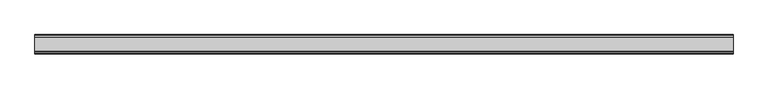
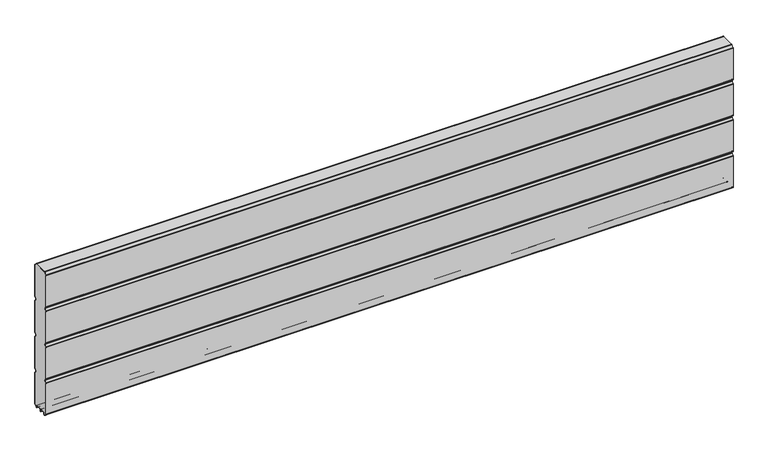
"""IFC4 building model written with IfcOpenShell, lengths in millimetres: plate geometry."""

from ifc_helpers import new_model, si_unit, point, frame, frame_2d, origin, place, context, project, spatial, polyline, circle_curve, trimmed, segment, composite_curve, outline, extrude, source, transform, mapped, element, save


def plate_90751ff9(model_context):
    return source(origin(), model_context, "Body", "SweptSolid", [
        extrude(outline(composite_curve([segment(polyline([(-29.2650466, 451.7624879), (-35.7138292, 458.2112702)]), True, "CONTINUOUS"), segment(trimmed(circle_curve(frame_2d((-34.2991913, 459.6259081)), 2.0006001), [point((-35.7138292, 458.2112702))], [point((-36.2997914, 459.6259081))], False, "CARTESIAN"), True, "CONTINUOUS"), segment(polyline([(-36.2997914, 459.6259081), (-36.2997914, 588.874925)]), True, "CONTINUOUS"), segment(trimmed(circle_curve(frame_2d((-34.3025404, 588.8763112)), 1.9972515), [point((-36.2997914, 588.874925))], [point((-35.7145328, 590.2888589))], False, "CARTESIAN"), True, "CONTINUOUS"), segment(polyline([(-35.7145328, 590.2888589), (-27.7860861, 598.2141893)]), True, "CONTINUOUS"), segment(trimmed(circle_curve(frame_2d((-26.3717262, 596.7992733)), 2.0006002), [point((-27.7860861, 598.2141893))], [point((-26.3717262, 598.7998734))], False, "CARTESIAN"), True, "CONTINUOUS"), segment(polyline([(-26.3717262, 598.7998734), (26.3717262, 598.7998734)]), True, "CONTINUOUS"), segment(trimmed(circle_curve(frame_2d((26.3717262, 596.7992733)), 2.0006002), [point((26.3717262, 598.7998734))], [point((27.7860861, 598.2141893))], False, "CARTESIAN"), True, "CONTINUOUS"), segment(polyline([(27.7860861, 598.2141893), (35.7145328, 590.2888589)]), True, "CONTINUOUS"), segment(trimmed(circle_curve(frame_2d((34.3025404, 588.8763112)), 1.9972515), [point((35.7145328, 590.2888589))], [point((36.2997914, 588.874925))], False, "CARTESIAN"), True, "CONTINUOUS"), segment(polyline([(36.2997914, 588.874925), (36.2997914, 459.6259081)]), True, "CONTINUOUS"), segment(trimmed(circle_curve(frame_2d((34.2991913, 459.6259081)), 2.0006001), [point((36.2997914, 459.6259081))], [point((35.7138292, 458.2112702))], False, "CARTESIAN"), True, "CONTINUOUS"), segment(polyline([(35.7138292, 458.2112702), (29.2650466, 451.7624879)]), True, "CONTINUOUS"), segment(trimmed(circle_curve(frame_2d((31.5325895, 449.4949449)), 3.20679), [point((29.2650466, 451.7624879))], [point((29.114664, 447.3884934))], True, "CARTESIAN"), True, "CONTINUOUS"), segment(polyline([(29.114664, 447.3884934), (35.7138291, 440.7893285)]), True, "CONTINUOUS"), segment(trimmed(circle_curve(frame_2d((34.2991912, 439.3746906)), 2.0006001), [point((35.7138291, 440.7893285))], [point((36.2997913, 439.3746906))], False, "CARTESIAN"), True, "CONTINUOUS"), segment(polyline([(36.2997913, 439.3746906), (36.2997913, 309.6259081)]), True, "CONTINUOUS"), segment(trimmed(circle_curve(frame_2d((34.2991912, 309.6259081)), 2.0006001), [point((36.2997913, 309.6259081))], [point((35.7138291, 308.2112702))], False, "CARTESIAN"), True, "CONTINUOUS"), segment(polyline([(35.7138291, 308.2112702), (29.2650466, 301.7624879)]), True, "CONTINUOUS"), segment(trimmed(circle_curve(frame_2d((31.5325895, 299.4949449)), 3.20679), [point((29.2650466, 301.7624879))], [point((29.4261379, 297.0770195))], True, "CARTESIAN"), True, "CONTINUOUS"), segment(polyline([(29.4261379, 297.0770195), (35.7138291, 290.7893285)]), True, "CONTINUOUS"), segment(trimmed(circle_curve(frame_2d((34.2991912, 289.3746906)), 2.0006001), [point((35.7138291, 290.7893285))], [point((36.2997913, 289.3746906))], False, "CARTESIAN"), True, "CONTINUOUS"), segment(polyline([(36.2997913, 289.3746906), (36.2997913, 159.6246474)]), True, "CONTINUOUS"), segment(trimmed(circle_curve(frame_2d((34.2991912, 159.6246474)), 2.0006001), [point((36.2997913, 159.6246474))], [point((35.7138291, 158.2100095))], False, "CARTESIAN"), True, "CONTINUOUS"), segment(polyline([(35.7138291, 158.2100095), (29.2650466, 151.7612271)]), True, "CONTINUOUS"), segment(trimmed(circle_curve(frame_2d((31.5325895, 149.4936842)), 3.20679), [point((29.2650466, 151.7612271))], [point((29.114664, 147.3872326))], True, "CARTESIAN"), True, "CONTINUOUS"), segment(polyline([(29.114664, 147.3872326), (35.7138292, 140.7880678)]), True, "CONTINUOUS"), segment(trimmed(circle_curve(frame_2d((34.2991912, 139.3734299)), 2.0006001), [point((35.7138292, 140.7880678))], [point((36.2997914, 139.3734299))], False, "CARTESIAN"), True, "CONTINUOUS"), segment(polyline([(36.2997914, 139.3734299), (36.2997914, 10.1250796)]), True, "CONTINUOUS"), segment(trimmed(circle_curve(frame_2d((34.299192, 10.1250796)), 2.0005994), [point((36.2997914, 10.1250796))], [point((35.7138294, 8.7104422))], False, "CARTESIAN"), True, "CONTINUOUS"), segment(polyline([(35.7138294, 8.7104422), (28.7893255, 1.7859383)]), True, "CONTINUOUS"), segment(trimmed(circle_curve(frame_2d((27.3158157, 3.2594482)), 2.0838576), [point((28.7893255, 1.7859383))], [point((25.2327947, 3.2004014))], False, "CARTESIAN"), True, "CONTINUOUS"), segment(polyline([(25.2327947, 3.2004014), (25.2327947, 7.9999453)]), True, "CONTINUOUS"), segment(trimmed(circle_curve(frame_2d((22.0323933, 7.9999453)), 3.2004014), [point((25.2327947, 7.9999453))], [point((22.0323933, 11.2003467))], True, "CARTESIAN"), True, "CONTINUOUS"), segment(polyline([(22.0323933, 11.2003467), (3.1993432, 11.2003467)]), True, "CONTINUOUS"), segment(trimmed(circle_curve(frame_2d((3.1993432, 8.0010035)), 3.1993432), [point((3.1993432, 11.2003467))], [point((0.0, 8.0010035))], True, "CARTESIAN"), True, "CONTINUOUS"), segment(trimmed(circle_curve(frame_2d((-3.1993432, 8.0010035)), 3.1993432), [point((0.0, 8.0010035))], [point((-3.1993432, 11.2003467))], True, "CARTESIAN"), True, "CONTINUOUS"), segment(polyline([(-3.1993432, 11.2003467), (-22.0323933, 11.2003467)]), True, "CONTINUOUS"), segment(trimmed(circle_curve(frame_2d((-22.0323933, 7.9999453)), 3.2004014), [point((-22.0323933, 11.2003467))], [point((-25.2327947, 7.9999453))], True, "CARTESIAN"), True, "CONTINUOUS"), segment(polyline([(-25.2327947, 7.9999453), (-25.2327947, 3.2004014)]), True, "CONTINUOUS"), segment(trimmed(circle_curve(frame_2d((-27.3158157, 3.2594482)), 2.0838576), [point((-25.2327947, 3.2004014))], [point((-28.7893255, 1.7859383))], False, "CARTESIAN"), True, "CONTINUOUS"), segment(polyline([(-28.7893255, 1.7859383), (-35.7138294, 8.7104422)]), True, "CONTINUOUS"), segment(trimmed(circle_curve(frame_2d((-34.299192, 10.1250796)), 2.0005994), [point((-35.7138294, 8.7104422))], [point((-36.2997914, 10.1250796))], False, "CARTESIAN"), True, "CONTINUOUS"), segment(polyline([(-36.2997914, 10.1250796), (-36.2997914, 139.3734299)]), True, "CONTINUOUS"), segment(trimmed(circle_curve(frame_2d((-34.2991912, 139.3734299)), 2.0006001), [point((-36.2997914, 139.3734299))], [point((-35.7138292, 140.7880678))], False, "CARTESIAN"), True, "CONTINUOUS"), segment(polyline([(-35.7138292, 140.7880678), (-29.114664, 147.3872326)]), True, "CONTINUOUS"), segment(trimmed(circle_curve(frame_2d((-31.5325895, 149.4936842)), 3.20679), [point((-29.114664, 147.3872326))], [point((-29.2650466, 151.7612271))], True, "CARTESIAN"), True, "CONTINUOUS"), segment(polyline([(-29.2650466, 151.7612271), (-35.7138291, 158.2100095)]), True, "CONTINUOUS"), segment(trimmed(circle_curve(frame_2d((-34.2991912, 159.6246474)), 2.0006001), [point((-35.7138291, 158.2100095))], [point((-36.2997913, 159.6246474))], False, "CARTESIAN"), True, "CONTINUOUS"), segment(polyline([(-36.2997913, 159.6246474), (-36.2997913, 289.3746906)]), True, "CONTINUOUS"), segment(trimmed(circle_curve(frame_2d((-34.2991912, 289.3746906)), 2.0006001), [point((-36.2997913, 289.3746906))], [point((-35.7138291, 290.7893285))], False, "CARTESIAN"), True, "CONTINUOUS"), segment(polyline([(-35.7138291, 290.7893285), (-29.4261379, 297.0770195)]), True, "CONTINUOUS"), segment(trimmed(circle_curve(frame_2d((-31.5325895, 299.4949449)), 3.20679), [point((-29.4261379, 297.0770195))], [point((-29.2650466, 301.7624879))], True, "CARTESIAN"), True, "CONTINUOUS"), segment(polyline([(-29.2650466, 301.7624879), (-35.7138291, 308.2112702)]), True, "CONTINUOUS"), segment(trimmed(circle_curve(frame_2d((-34.2991912, 309.6259081)), 2.0006001), [point((-35.7138291, 308.2112702))], [point((-36.2997913, 309.6259081))], False, "CARTESIAN"), True, "CONTINUOUS"), segment(polyline([(-36.2997913, 309.6259081), (-36.2997913, 439.3746906)]), True, "CONTINUOUS"), segment(trimmed(circle_curve(frame_2d((-34.2991912, 439.3746906)), 2.0006001), [point((-36.2997913, 439.3746906))], [point((-35.7138291, 440.7893285))], False, "CARTESIAN"), True, "CONTINUOUS"), segment(polyline([(-35.7138291, 440.7893285), (-29.114664, 447.3884934)]), True, "CONTINUOUS"), segment(trimmed(circle_curve(frame_2d((-31.5325895, 449.4949449)), 3.20679), [point((-29.114664, 447.3884934))], [point((-29.2650466, 451.7624879))], True, "CARTESIAN"), True, "CONTINUOUS")], self_intersect=False)), frame((-1354.8858409, 0.0, 0.0), z_axis=(1.0, 0.0, 0.0), x_axis=(0.0, 1.0, 0.0)), (0.0, 0.0, 1.0), 2709.7716819),
        extrude(outline(composite_curve([segment(trimmed(circle_curve(frame_2d((-34.299418, 588.8742584)), 3.200524), [point((-37.499942, 588.8742584))], [point((-36.5622582, 591.1376426))], False, "CARTESIAN"), True, "CONTINUOUS"), segment(polyline([(-36.5622582, 591.1376426), (-28.6355395, 599.0624563)]), True, "CONTINUOUS"), segment(trimmed(circle_curve(frame_2d((-26.3720296, 596.7984023)), 3.2014711), [point((-28.6355395, 599.0624563))], [point((-26.3720296, 599.9998734))], False, "CARTESIAN"), True, "CONTINUOUS"), segment(polyline([(-26.3720296, 599.9998734), (26.3720296, 599.9998734)]), True, "CONTINUOUS"), segment(trimmed(circle_curve(frame_2d((26.3720296, 596.7984023)), 3.2014711), [point((26.3720296, 599.9998734))], [point((28.6355395, 599.0624563))], False, "CARTESIAN"), True, "CONTINUOUS"), segment(polyline([(28.6355395, 599.0624563), (36.5622582, 591.1376426)]), True, "CONTINUOUS"), segment(trimmed(circle_curve(frame_2d((34.299418, 588.8742584)), 3.200524), [point((36.5622582, 591.1376426))], [point((37.499942, 588.8742584))], False, "CARTESIAN"), True, "CONTINUOUS"), segment(polyline([(37.499942, 588.8742584), (37.499942, 459.6259081)]), True, "CONTINUOUS"), segment(trimmed(circle_curve(frame_2d((34.3010265, 459.6259081)), 3.1989155), [point((37.499942, 459.6259081))], [point((36.5630013, 457.3639333))], False, "CARTESIAN"), True, "CONTINUOUS"), segment(polyline([(36.5630013, 457.3639333), (30.1138303, 450.9147625)]), True, "CONTINUOUS"), segment(trimmed(circle_curve(frame_2d((31.5282934, 449.5002993)), 2.000353), [point((30.1138303, 450.9147625))], [point((30.1138303, 448.0858362))], True, "CARTESIAN"), True, "CONTINUOUS"), segment(polyline([(30.1138303, 448.0858362), (36.5630013, 441.6366654)]), True, "CONTINUOUS"), segment(trimmed(circle_curve(frame_2d((34.3010265, 439.3746906)), 3.1989154), [point((36.5630013, 441.6366654))], [point((37.4999419, 439.3746906))], False, "CARTESIAN"), True, "CONTINUOUS"), segment(polyline([(37.4999419, 439.3746906), (37.4999419, 309.6259081)]), True, "CONTINUOUS"), segment(trimmed(circle_curve(frame_2d((34.3010265, 309.6259081)), 3.1989154), [point((37.4999419, 309.6259081))], [point((36.5630013, 307.3639333))], False, "CARTESIAN"), True, "CONTINUOUS"), segment(polyline([(36.5630013, 307.3639333), (30.1138303, 300.9147625)]), True, "CONTINUOUS"), segment(trimmed(circle_curve(frame_2d((31.5282934, 299.5002993)), 2.000353), [point((30.1138303, 300.9147625))], [point((30.1138303, 298.0858362))], True, "CARTESIAN"), True, "CONTINUOUS"), segment(polyline([(30.1138303, 298.0858362), (36.5630013, 291.6366654)]), True, "CONTINUOUS"), segment(trimmed(circle_curve(frame_2d((34.3010265, 289.3746906)), 3.1989154), [point((36.5630013, 291.6366654))], [point((37.4999419, 289.3746906))], False, "CARTESIAN"), True, "CONTINUOUS"), segment(polyline([(37.4999419, 289.3746906), (37.4999419, 159.6246474)]), True, "CONTINUOUS"), segment(trimmed(circle_curve(frame_2d((34.3010265, 159.6246474)), 3.1989154), [point((37.4999419, 159.6246474))], [point((36.5630013, 157.3626726))], False, "CARTESIAN"), True, "CONTINUOUS"), segment(polyline([(36.5630013, 157.3626726), (30.1138303, 150.9135018)]), True, "CONTINUOUS"), segment(trimmed(circle_curve(frame_2d((31.5282934, 149.4990386)), 2.000353), [point((30.1138303, 150.9135018))], [point((30.1138303, 148.0845755))], True, "CARTESIAN"), True, "CONTINUOUS"), segment(polyline([(30.1138303, 148.0845755), (36.5630013, 141.6354046)]), True, "CONTINUOUS"), segment(trimmed(circle_curve(frame_2d((34.3010265, 139.3734298)), 3.1989154), [point((36.5630013, 141.6354046))], [point((37.4999419, 139.3734298))], False, "CARTESIAN"), True, "CONTINUOUS"), segment(polyline([(37.4999419, 139.3734298), (37.4999419, 10.1250796)]), True, "CONTINUOUS"), segment(trimmed(circle_curve(frame_2d((34.3010265, 10.1250796)), 3.1989154), [point((37.4999419, 10.1250796))], [point((36.5630004, 7.8631039))], False, "CARTESIAN"), True, "CONTINUOUS"), segment(polyline([(36.5630004, 7.8631039), (29.6332576, 0.9333666)]), True, "CONTINUOUS"), segment(trimmed(circle_curve(frame_2d((27.311397, 3.255229)), 3.283608), [point((29.6332576, 0.9333666))], [point((24.0283217, 3.1960843))], False, "CARTESIAN"), True, "CONTINUOUS"), segment(polyline([(24.0283217, 3.1960843), (24.0326442, 7.9999453)]), True, "CONTINUOUS"), segment(trimmed(circle_curve(frame_2d((22.0341915, 8.0017435)), 1.9984535), [point((24.0326442, 7.9999453))], [point((22.0323933, 10.0001962))], True, "CARTESIAN"), True, "CONTINUOUS"), segment(polyline([(22.0323933, 10.0001962), (3.1993432, 10.0001962)]), True, "CONTINUOUS"), segment(trimmed(circle_curve(frame_2d((3.1993432, 8.0010035)), 1.9991927), [point((3.1993432, 10.0001962))], [point((1.2001505, 8.0010035))], True, "CARTESIAN"), True, "CONTINUOUS"), segment(polyline([(1.2001505, 8.0010035), (1.2001504, 0.0), (0.0, 0.0), (-1.2001504, 0.0), (-1.2001504, 8.0010034)]), True, "CONTINUOUS"), segment(trimmed(circle_curve(frame_2d((-3.1993432, 8.0010035)), 1.9991928), [point((-1.2001504, 8.0010034))], [point((-3.1993432, 10.0001963))], True, "CARTESIAN"), True, "CONTINUOUS"), segment(polyline([(-3.1993432, 10.0001963), (-22.0323933, 10.0001962)]), True, "CONTINUOUS"), segment(trimmed(circle_curve(frame_2d((-22.0341915, 8.0017435)), 1.9984535), [point((-22.0323933, 10.0001962))], [point((-24.0326442, 7.9999453))], True, "CARTESIAN"), True, "CONTINUOUS"), segment(polyline([(-24.0326442, 7.9999453), (-24.0283217, 3.1960843)]), True, "CONTINUOUS"), segment(trimmed(circle_curve(frame_2d((-27.311397, 3.255229)), 3.283608), [point((-24.0283217, 3.1960843))], [point((-29.6332576, 0.9333666))], False, "CARTESIAN"), True, "CONTINUOUS"), segment(polyline([(-29.6332576, 0.9333666), (-36.5630004, 7.8631039)]), True, "CONTINUOUS"), segment(trimmed(circle_curve(frame_2d((-34.3010265, 10.1250796)), 3.1989154), [point((-36.5630004, 7.8631039))], [point((-37.4999419, 10.1250796))], False, "CARTESIAN"), True, "CONTINUOUS"), segment(polyline([(-37.4999419, 10.1250796), (-37.4999419, 139.3734298)]), True, "CONTINUOUS"), segment(trimmed(circle_curve(frame_2d((-34.3010265, 139.3734298)), 3.1989154), [point((-37.4999419, 139.3734298))], [point((-36.5630013, 141.6354046))], False, "CARTESIAN"), True, "CONTINUOUS"), segment(polyline([(-36.5630013, 141.6354046), (-30.1138303, 148.0845755)]), True, "CONTINUOUS"), segment(trimmed(circle_curve(frame_2d((-31.5282934, 149.4990386)), 2.000353), [point((-30.1138303, 148.0845755))], [point((-30.1138303, 150.9135018))], True, "CARTESIAN"), True, "CONTINUOUS"), segment(polyline([(-30.1138303, 150.9135018), (-36.5630013, 157.3626726)]), True, "CONTINUOUS"), segment(trimmed(circle_curve(frame_2d((-34.3010265, 159.6246474)), 3.1989154), [point((-36.5630013, 157.3626726))], [point((-37.4999419, 159.6246474))], False, "CARTESIAN"), True, "CONTINUOUS"), segment(polyline([(-37.4999419, 159.6246474), (-37.4999419, 289.3746906)]), True, "CONTINUOUS"), segment(trimmed(circle_curve(frame_2d((-34.3010265, 289.3746906)), 3.1989154), [point((-37.4999419, 289.3746906))], [point((-36.5630013, 291.6366653))], False, "CARTESIAN"), True, "CONTINUOUS"), segment(polyline([(-36.5630013, 291.6366653), (-30.1138303, 298.0858362)]), True, "CONTINUOUS"), segment(trimmed(circle_curve(frame_2d((-31.5282934, 299.5002993)), 2.000353), [point((-30.1138303, 298.0858362))], [point((-30.1138303, 300.9147625))], True, "CARTESIAN"), True, "CONTINUOUS"), segment(polyline([(-30.1138303, 300.9147625), (-36.5630013, 307.3639333)]), True, "CONTINUOUS"), segment(trimmed(circle_curve(frame_2d((-34.3010265, 309.6259081)), 3.1989154), [point((-36.5630013, 307.3639333))], [point((-37.4999419, 309.6259081))], False, "CARTESIAN"), True, "CONTINUOUS"), segment(polyline([(-37.4999419, 309.6259081), (-37.4999419, 439.3746906)]), True, "CONTINUOUS"), segment(trimmed(circle_curve(frame_2d((-34.3010265, 439.3746906)), 3.1989154), [point((-37.4999419, 439.3746906))], [point((-36.5630013, 441.6366653))], False, "CARTESIAN"), True, "CONTINUOUS"), segment(polyline([(-36.5630013, 441.6366653), (-30.1138303, 448.0858362)]), True, "CONTINUOUS"), segment(trimmed(circle_curve(frame_2d((-31.5282934, 449.5002993)), 2.000353), [point((-30.1138303, 448.0858362))], [point((-30.1138303, 450.9147625))], True, "CARTESIAN"), True, "CONTINUOUS"), segment(polyline([(-30.1138303, 450.9147625), (-36.5630013, 457.3639333)]), True, "CONTINUOUS"), segment(trimmed(circle_curve(frame_2d((-34.3010265, 459.6259081)), 3.1989155), [point((-36.5630013, 457.3639333))], [point((-37.499942, 459.6259081))], False, "CARTESIAN"), True, "CONTINUOUS"), segment(polyline([(-37.499942, 459.6259081), (-37.499942, 588.8742584)]), True, "CONTINUOUS")], self_intersect=False), holes=[composite_curve([segment(trimmed(circle_curve(frame_2d((-31.5325895, 449.4949449)), 3.20679), [point((-29.2650466, 451.7624879))], [point((-29.114664, 447.3884934))], False, "CARTESIAN"), True, "CONTINUOUS"), segment(polyline([(-29.114664, 447.3884934), (-35.7138291, 440.7893285)]), True, "CONTINUOUS"), segment(trimmed(circle_curve(frame_2d((-34.2991912, 439.3746906)), 2.0006001), [point((-35.7138291, 440.7893285))], [point((-36.2997913, 439.3746906))], True, "CARTESIAN"), True, "CONTINUOUS"), segment(polyline([(-36.2997913, 439.3746906), (-36.2997913, 309.6259081)]), True, "CONTINUOUS"), segment(trimmed(circle_curve(frame_2d((-34.2991912, 309.6259081)), 2.0006001), [point((-36.2997913, 309.6259081))], [point((-35.7138291, 308.2112702))], True, "CARTESIAN"), True, "CONTINUOUS"), segment(polyline([(-35.7138291, 308.2112702), (-29.2650466, 301.7624879)]), True, "CONTINUOUS"), segment(trimmed(circle_curve(frame_2d((-31.5325895, 299.4949449)), 3.20679), [point((-29.2650466, 301.7624879))], [point((-29.4261379, 297.0770195))], False, "CARTESIAN"), True, "CONTINUOUS"), segment(polyline([(-29.4261379, 297.0770195), (-35.7138291, 290.7893285)]), True, "CONTINUOUS"), segment(trimmed(circle_curve(frame_2d((-34.2991912, 289.3746906)), 2.0006001), [point((-35.7138291, 290.7893285))], [point((-36.2997913, 289.3746906))], True, "CARTESIAN"), True, "CONTINUOUS"), segment(polyline([(-36.2997913, 289.3746906), (-36.2997913, 159.6246474)]), True, "CONTINUOUS"), segment(trimmed(circle_curve(frame_2d((-34.2991912, 159.6246474)), 2.0006001), [point((-36.2997913, 159.6246474))], [point((-35.7138291, 158.2100095))], True, "CARTESIAN"), True, "CONTINUOUS"), segment(polyline([(-35.7138291, 158.2100095), (-29.2650466, 151.7612271)]), True, "CONTINUOUS"), segment(trimmed(circle_curve(frame_2d((-31.5325895, 149.4936842)), 3.20679), [point((-29.2650466, 151.7612271))], [point((-29.114664, 147.3872326))], False, "CARTESIAN"), True, "CONTINUOUS"), segment(polyline([(-29.114664, 147.3872326), (-35.7138292, 140.7880677)]), True, "CONTINUOUS"), segment(trimmed(circle_curve(frame_2d((-34.2991912, 139.3734298)), 2.0006001), [point((-35.7138292, 140.7880677))], [point((-36.2997914, 139.3734298))], True, "CARTESIAN"), True, "CONTINUOUS"), segment(polyline([(-36.2997914, 139.3734298), (-36.2997914, 10.1250796)]), True, "CONTINUOUS"), segment(trimmed(circle_curve(frame_2d((-34.299192, 10.1250796)), 2.0005994), [point((-36.2997914, 10.1250796))], [point((-35.7138294, 8.7104422))], True, "CARTESIAN"), True, "CONTINUOUS"), segment(polyline([(-35.7138294, 8.7104422), (-28.7893255, 1.7859383)]), True, "CONTINUOUS"), segment(trimmed(circle_curve(frame_2d((-27.3158157, 3.2594482)), 2.0838576), [point((-28.7893255, 1.7859383))], [point((-25.2327947, 3.2004014))], True, "CARTESIAN"), True, "CONTINUOUS"), segment(polyline([(-25.2327947, 3.2004014), (-25.2327947, 7.9999453)]), True, "CONTINUOUS"), segment(trimmed(circle_curve(frame_2d((-22.0323933, 7.9999453)), 3.2004014), [point((-25.2327947, 7.9999453))], [point((-22.0323933, 11.2003467))], False, "CARTESIAN"), True, "CONTINUOUS"), segment(polyline([(-22.0323933, 11.2003467), (-3.1993432, 11.2003467)]), True, "CONTINUOUS"), segment(trimmed(circle_curve(frame_2d((-3.1993432, 8.0010035)), 3.1993432), [point((-3.1993432, 11.2003467))], [point((0.0, 8.0010035))], False, "CARTESIAN"), True, "CONTINUOUS"), segment(trimmed(circle_curve(frame_2d((3.1993432, 8.0010035)), 3.1993432), [point((0.0, 8.0010035))], [point((3.1993432, 11.2003467))], False, "CARTESIAN"), True, "CONTINUOUS"), segment(polyline([(3.1993432, 11.2003467), (22.0323933, 11.2003467)]), True, "CONTINUOUS"), segment(trimmed(circle_curve(frame_2d((22.0323933, 7.9999453)), 3.2004014), [point((22.0323933, 11.2003467))], [point((25.2327947, 7.9999453))], False, "CARTESIAN"), True, "CONTINUOUS"), segment(polyline([(25.2327947, 7.9999453), (25.2327947, 3.2004014)]), True, "CONTINUOUS"), segment(trimmed(circle_curve(frame_2d((27.3158157, 3.2594482)), 2.0838576), [point((25.2327947, 3.2004014))], [point((28.7893255, 1.7859383))], True, "CARTESIAN"), True, "CONTINUOUS"), segment(polyline([(28.7893255, 1.7859383), (35.7138294, 8.7104422)]), True, "CONTINUOUS"), segment(trimmed(circle_curve(frame_2d((34.299192, 10.1250796)), 2.0005994), [point((35.7138294, 8.7104422))], [point((36.2997914, 10.1250796))], True, "CARTESIAN"), True, "CONTINUOUS"), segment(polyline([(36.2997914, 10.1250796), (36.2997914, 139.3734298)]), True, "CONTINUOUS"), segment(trimmed(circle_curve(frame_2d((34.2991912, 139.3734298)), 2.0006001), [point((36.2997914, 139.3734298))], [point((35.7138292, 140.7880678))], True, "CARTESIAN"), True, "CONTINUOUS"), segment(polyline([(35.7138292, 140.7880678), (29.114664, 147.3872326)]), True, "CONTINUOUS"), segment(trimmed(circle_curve(frame_2d((31.5325895, 149.4936842)), 3.20679), [point((29.114664, 147.3872326))], [point((29.2650466, 151.7612271))], False, "CARTESIAN"), True, "CONTINUOUS"), segment(polyline([(29.2650466, 151.7612271), (35.7138291, 158.2100095)]), True, "CONTINUOUS"), segment(trimmed(circle_curve(frame_2d((34.2991912, 159.6246474)), 2.0006001), [point((35.7138291, 158.2100095))], [point((36.2997913, 159.6246474))], True, "CARTESIAN"), True, "CONTINUOUS"), segment(polyline([(36.2997913, 159.6246474), (36.2997913, 289.3746906)]), True, "CONTINUOUS"), segment(trimmed(circle_curve(frame_2d((34.2991912, 289.3746906)), 2.0006001), [point((36.2997913, 289.3746906))], [point((35.7138291, 290.7893285))], True, "CARTESIAN"), True, "CONTINUOUS"), segment(polyline([(35.7138291, 290.7893285), (29.4261379, 297.0770195)]), True, "CONTINUOUS"), segment(trimmed(circle_curve(frame_2d((31.5325895, 299.4949449)), 3.20679), [point((29.4261379, 297.0770195))], [point((29.2650466, 301.7624879))], False, "CARTESIAN"), True, "CONTINUOUS"), segment(polyline([(29.2650466, 301.7624879), (35.7138291, 308.2112702)]), True, "CONTINUOUS"), segment(trimmed(circle_curve(frame_2d((34.2991912, 309.6259081)), 2.0006001), [point((35.7138291, 308.2112702))], [point((36.2997913, 309.6259081))], True, "CARTESIAN"), True, "CONTINUOUS"), segment(polyline([(36.2997913, 309.6259081), (36.2997913, 439.3746906)]), True, "CONTINUOUS"), segment(trimmed(circle_curve(frame_2d((34.2991912, 439.3746906)), 2.0006001), [point((36.2997913, 439.3746906))], [point((35.7138291, 440.7893285))], True, "CARTESIAN"), True, "CONTINUOUS"), segment(polyline([(35.7138291, 440.7893285), (29.114664, 447.3884934)]), True, "CONTINUOUS"), segment(trimmed(circle_curve(frame_2d((31.5325895, 449.4949449)), 3.20679), [point((29.114664, 447.3884934))], [point((29.2650466, 451.7624879))], False, "CARTESIAN"), True, "CONTINUOUS"), segment(polyline([(29.2650466, 451.7624879), (35.7138292, 458.2112702)]), True, "CONTINUOUS"), segment(trimmed(circle_curve(frame_2d((34.2991913, 459.6259081)), 2.0006001), [point((35.7138292, 458.2112702))], [point((36.2997914, 459.6259081))], True, "CARTESIAN"), True, "CONTINUOUS"), segment(polyline([(36.2997914, 459.6259081), (36.2997914, 588.874925)]), True, "CONTINUOUS"), segment(trimmed(circle_curve(frame_2d((34.3025404, 588.8763112)), 1.9972515), [point((36.2997914, 588.874925))], [point((35.7145328, 590.2888589))], True, "CARTESIAN"), True, "CONTINUOUS"), segment(polyline([(35.7145328, 590.2888589), (27.7860861, 598.2141893)]), True, "CONTINUOUS"), segment(trimmed(circle_curve(frame_2d((26.3717262, 596.7992733)), 2.0006002), [point((27.7860861, 598.2141893))], [point((26.3717262, 598.7998734))], True, "CARTESIAN"), True, "CONTINUOUS"), segment(polyline([(26.3717262, 598.7998734), (-26.3717262, 598.7998734)]), True, "CONTINUOUS"), segment(trimmed(circle_curve(frame_2d((-26.3717262, 596.7992733)), 2.0006002), [point((-26.3717262, 598.7998734))], [point((-27.7860861, 598.2141893))], True, "CARTESIAN"), True, "CONTINUOUS"), segment(polyline([(-27.7860861, 598.2141893), (-35.7145328, 590.2888589)]), True, "CONTINUOUS"), segment(trimmed(circle_curve(frame_2d((-34.3025404, 588.8763112)), 1.9972515), [point((-35.7145328, 590.2888589))], [point((-36.2997914, 588.874925))], True, "CARTESIAN"), True, "CONTINUOUS"), segment(polyline([(-36.2997914, 588.874925), (-36.2997914, 459.6259081)]), True, "CONTINUOUS"), segment(trimmed(circle_curve(frame_2d((-34.2991913, 459.6259081)), 2.0006001), [point((-36.2997914, 459.6259081))], [point((-35.7138292, 458.2112702))], True, "CARTESIAN"), True, "CONTINUOUS"), segment(polyline([(-35.7138292, 458.2112702), (-29.2650466, 451.7624879)]), True, "CONTINUOUS")], self_intersect=False)]), frame((-1354.8858409, 0.0, 0.0), z_axis=(1.0, 0.0, 0.0), x_axis=(0.0, 1.0, 0.0)), (0.0, 0.0, 1.0), 2709.7716819),
    ])


if __name__ == "__main__":
    model = new_model("IFC4")
    model_context = context("Model", 3, world=origin())
    ifc_project = project(units=[si_unit("LENGTHUNIT", "METRE", prefix="MILLI")], contexts=[model_context])
    site = spatial("IfcSite", under=ifc_project)
    building = spatial("IfcBuilding", under=site)
    placement = place(None, origin())
    plate_shape = plate_90751ff9(model_context)
    element("IfcPlate", 1, at=placement, inside=building, context=model_context, shape_type="MappedRepresentation", body=[
        mapped(plate_shape, transform((0.0, 0.0, 0.0), x_axis=(1.0, 0.0, 0.0), y_axis=(0.0, 1.0, 0.0), z_axis=(0.0, 0.0, 1.0))),
    ])
    save(model, "model.ifc")
